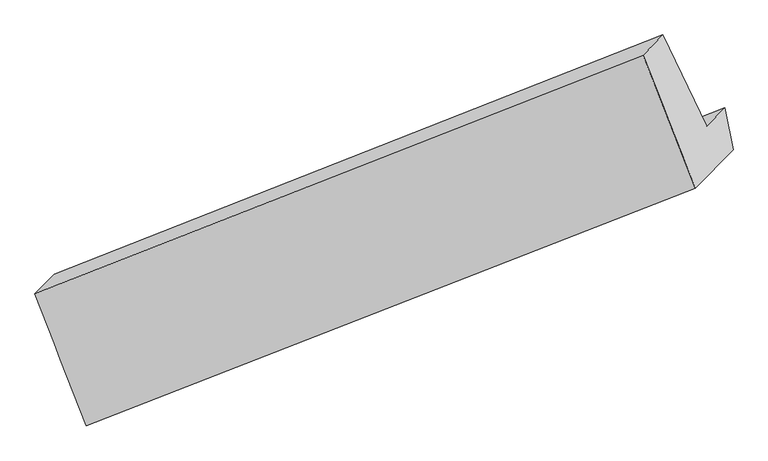
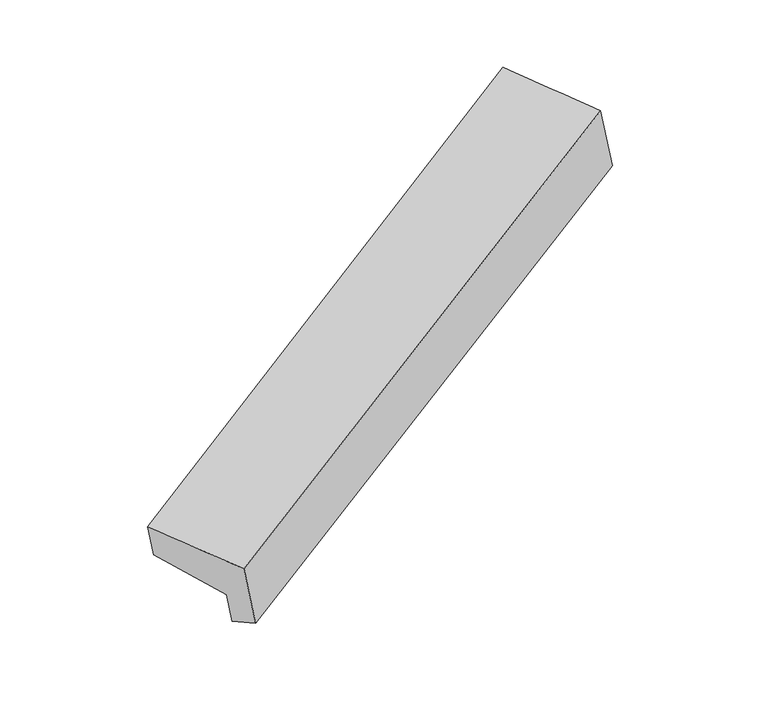
"""IFC4 building model written with IfcOpenShell, lengths in millimetres: proxy geometry."""

from ifc_helpers import new_model, si_unit, frame, origin, place, context, project, spatial, source, transform, mapped, element, save
from ifc_brep_helpers import plane_surface, spline_surface, advanced_brep


def generic_models_2f46102a(model_context):
    return source(origin(), model_context, "Body", "AdvancedBrep", [
        advanced_brep(
        [(-4780.4046041, -2745.3736009, 1437.3806572), (-4545.1783622, -2506.2153955, 731.0333217), (-693.1195882, -1001.7674019, 2512.1497383), (-931.354009, -1243.98407, 3227.5301611), (-5103.5538085, -1910.33039, 1417.1313533), (-1261.796258, -403.1039294, 3217.8988491), (-4981.2903236, -1786.0231893, 1049.9933755), (-1136.5245942, -275.7382662, 2841.727784), (-4703.901104, -2361.8839179, 947.3914527), (-859.1353746, -851.5989947, 2739.1258612), (-4590.3694325, -2246.4544888, 606.4737345), (-745.6037031, -736.1695656, 2398.208143)],
        [
            (0, 1),
            (1, 2),
            (2, 3),
            (3, 0),
            (4, 0),
            (3, 5),
            (5, 4),
            (6, 4),
            (5, 7),
            (7, 6),
            (8, 6),
            (7, 9),
            (9, 8),
            (10, 8),
            (9, 11),
            (11, 10),
            (1, 10),
            (11, 2),
        ],
        [
            plane_surface(frame((-4662.7914832, -2625.7944982, 1084.2069895), z_axis=(0.42280041071112484, -0.8917806647307742, -0.16114297600219207), x_axis=(0.30081789311012647, 0.30584626485669053, -0.9033087276551666))),
            spline_surface(1, 1, [[(-5103.5538085, -1910.33039, 1417.1313533), (-1261.796258, -403.1039294, 3217.8988491)], [(-4780.4046041, -2745.3736009, 1437.3806572), (-931.354009, -1243.98407, 3227.5301611)]], [2, 2], [2, 2], [0.0, 1.0], [0.0, 1.0]),
            plane_surface(frame((-5042.4220661, -1848.1767896, 1233.5623644), z_axis=(-0.4246978652694722, 0.8910379233779916, 0.16025960919018165), x_axis=(-0.3008178931101042, -0.30584626485668964, 0.9033087276551742))),
            plane_surface(frame((-4842.5957138, -2073.9535536, 998.6924141), z_axis=(0.3008178931101243, 0.3058462648566917, -0.903308727655167), x_axis=(-0.42848657411547864, 0.8895392224856058, 0.15849046489453109))),
            plane_surface(frame((-4647.1352683, -2304.1692034, 776.9325936), z_axis=(-0.4246978652694702, 0.8910379233779939, 0.16025960919017473), x_axis=(-0.3008178931101268, -0.30584626485669053, 0.9033087276551663))),
            spline_surface(1, 1, [[(-4545.1783622, -2506.2153955, 731.0333217), (-693.1195882, -1001.7674019, 2512.1497383)], [(-4590.3694325, -2246.4544888, 606.4737345), (-745.6037031, -736.1695656, 2398.208143)]], [2, 2], [2, 2], [0.0, 1.0], [0.0, 1.0]),
            plane_surface(frame((-937.9222545, -752.0603713, 2822.7734228), z_axis=(0.8520022599662381, 0.33937889435396373, 0.3986403329813784), x_axis=(-0.42848657411547864, 0.8895392224856058, 0.15849046489453109))),
            plane_surface(frame((-4784.1162725, -2259.3801637, 1031.5673158), z_axis=(-0.8520022599662325, -0.33937889435395463, -0.3986403329813981), x_axis=(-0.30081789311012647, -0.3058462648566903, 0.9033087276551666))),
        ],
        [
            (0, [[1, 2, 3, 4]]),
            (1, [[5, -4, 6, 7]]),
            (2, [[8, -7, 9, 10]]),
            (3, [[11, -10, 12, 13]]),
            (4, [[14, -13, 15, 16]]),
            (5, [[17, -16, 18, -2]]),
            (6, [[-12, -9, -6, -3, -18, -15]]),
            (7, [[-1, -5, -8, -11, -14, -17]]),
        ],
    ),
    ])


if __name__ == "__main__":
    model = new_model("IFC4")
    model_context = context("Model", 3, world=origin())
    ifc_project = project(units=[si_unit("LENGTHUNIT", "METRE", prefix="MILLI")], contexts=[model_context])
    site = spatial("IfcSite", under=ifc_project)
    building = spatial("IfcBuilding", under=site)
    placement = place(None, origin())
    generic_models_shape = generic_models_2f46102a(model_context)
    element("IfcBuildingElementProxy", 1, Name="Generic Models", at=placement, inside=building, context=model_context, shape_type="MappedRepresentation", body=[
        mapped(generic_models_shape, transform((0.0, 0.0, 0.0), x_axis=(1.0, 0.0, 0.0), y_axis=(0.0, 1.0, 0.0), z_axis=(0.0, 0.0, 1.0))),
    ])
    save(model, "model.ifc")
